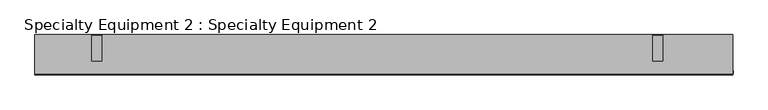
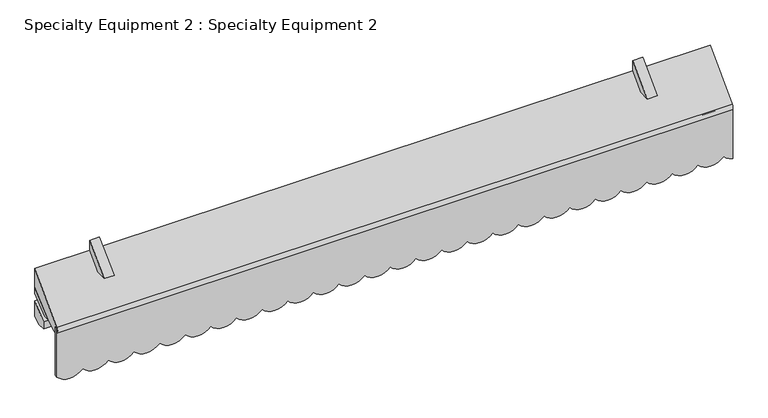
"""IFC4 building model written with IfcOpenShell, lengths in millimetres: proxy geometry, Specialty Equipment 2 : Specialty Equipment 2."""

from ifc_helpers import new_model, si_unit, point, frame, frame_2d, origin, place, context, project, spatial, polyline, circle_curve, trimmed, segment, composite_curve, outline, extrude, source, transform, mapped, element, save


def specialty_equipment_2_specialty_equipment_2_afce42c8(model_context):
    return source(origin(), model_context, "Body", "SweptSolid", [
        extrude(outline(composite_curve([segment(polyline([(111125.8804802, -45640.4652467), (111125.8804802, -48588.7414762), (110900.9523534, -48588.7414762)]), True, "CONTINUOUS"), segment(trimmed(circle_curve(frame_2d((110952.0977359, -48532.7967149)), 75.8001746), [point((110900.9523534, -48588.7414762))], [point((110900.9523534, -48476.8519537))], False, "CARTESIAN"), True, "CONTINUOUS"), segment(trimmed(circle_curve(frame_2d((110952.0977359, -48420.9071925)), 75.8001746), [point((110900.9523534, -48476.8519537))], [point((110900.9523534, -48364.9624313))], False, "CARTESIAN"), True, "CONTINUOUS"), segment(trimmed(circle_curve(frame_2d((110952.0977359, -48309.01767)), 75.8001746), [point((110900.9523534, -48364.9624313))], [point((110900.9523534, -48253.0729088))], False, "CARTESIAN"), True, "CONTINUOUS"), segment(trimmed(circle_curve(frame_2d((110952.0977359, -48197.1281476)), 75.8001746), [point((110900.9523534, -48253.0729088))], [point((110900.9523534, -48141.1833864))], False, "CARTESIAN"), True, "CONTINUOUS"), segment(trimmed(circle_curve(frame_2d((110952.0977359, -48085.2386251)), 75.8001746), [point((110900.9523534, -48141.1833864))], [point((110900.9523534, -48029.2938639))], False, "CARTESIAN"), True, "CONTINUOUS"), segment(trimmed(circle_curve(frame_2d((110952.0977359, -47973.3491027)), 75.8001746), [point((110900.9523534, -48029.2938639))], [point((110900.9523534, -47917.4043415))], False, "CARTESIAN"), True, "CONTINUOUS"), segment(trimmed(circle_curve(frame_2d((110952.0977359, -47861.4595802)), 75.8001746), [point((110900.9523534, -47917.4043415))], [point((110900.9523534, -47805.514819))], False, "CARTESIAN"), True, "CONTINUOUS"), segment(trimmed(circle_curve(frame_2d((110952.0977359, -47749.5700578)), 75.8001746), [point((110900.9523534, -47805.514819))], [point((110900.9523534, -47693.6252965))], False, "CARTESIAN"), True, "CONTINUOUS"), segment(trimmed(circle_curve(frame_2d((110952.0977359, -47637.6805353)), 75.8001746), [point((110900.9523534, -47693.6252965))], [point((110900.9523534, -47581.7357741))], False, "CARTESIAN"), True, "CONTINUOUS"), segment(trimmed(circle_curve(frame_2d((110952.0977359, -47525.7910129)), 75.8001746), [point((110900.9523534, -47581.7357741))], [point((110900.9523534, -47469.8462516))], False, "CARTESIAN"), True, "CONTINUOUS"), segment(trimmed(circle_curve(frame_2d((110952.0977359, -47413.9014904)), 75.8001746), [point((110900.9523534, -47469.8462516))], [point((110900.9523534, -47357.9567292))], False, "CARTESIAN"), True, "CONTINUOUS"), segment(trimmed(circle_curve(frame_2d((110952.0977359, -47302.011968)), 75.8001746), [point((110900.9523534, -47357.9567292))], [point((110900.9523534, -47246.0672067))], False, "CARTESIAN"), True, "CONTINUOUS"), segment(trimmed(circle_curve(frame_2d((110952.0977359, -47190.1224455)), 75.8001746), [point((110900.9523534, -47246.0672067))], [point((110900.9523534, -47134.1776843))], False, "CARTESIAN"), True, "CONTINUOUS"), segment(trimmed(circle_curve(frame_2d((110952.0977359, -47078.2329231)), 75.8001746), [point((110900.9523534, -47134.1776843))], [point((110900.9523534, -47022.2881618))], False, "CARTESIAN"), True, "CONTINUOUS"), segment(trimmed(circle_curve(frame_2d((110952.0977359, -46966.3434006)), 75.8001746), [point((110900.9523534, -47022.2881618))], [point((110900.9523534, -46910.3986394))], False, "CARTESIAN"), True, "CONTINUOUS"), segment(trimmed(circle_curve(frame_2d((110952.0977359, -46854.4538782)), 75.8001746), [point((110900.9523534, -46910.3986394))], [point((110900.9523534, -46798.5091169))], False, "CARTESIAN"), True, "CONTINUOUS"), segment(trimmed(circle_curve(frame_2d((110952.0977359, -46742.5643557)), 75.8001746), [point((110900.9523534, -46798.5091169))], [point((110900.9523534, -46686.6195945))], False, "CARTESIAN"), True, "CONTINUOUS"), segment(trimmed(circle_curve(frame_2d((110952.0977359, -46630.6748333)), 75.8001746), [point((110900.9523534, -46686.6195945))], [point((110900.9523534, -46574.730072))], False, "CARTESIAN"), True, "CONTINUOUS"), segment(trimmed(circle_curve(frame_2d((110952.0977359, -46518.7853108)), 75.8001746), [point((110900.9523534, -46574.730072))], [point((110900.9523534, -46462.8405496))], False, "CARTESIAN"), True, "CONTINUOUS"), segment(trimmed(circle_curve(frame_2d((110952.0977359, -46406.8957884)), 75.8001746), [point((110900.9523534, -46462.8405496))], [point((110900.9523534, -46350.9510271))], False, "CARTESIAN"), True, "CONTINUOUS"), segment(trimmed(circle_curve(frame_2d((110952.0977359, -46295.0062659)), 75.8001746), [point((110900.9523534, -46350.9510271))], [point((110900.9523534, -46239.0615047))], False, "CARTESIAN"), True, "CONTINUOUS"), segment(trimmed(circle_curve(frame_2d((110952.0977359, -46183.1167434)), 75.8001746), [point((110900.9523534, -46239.0615047))], [point((110900.9523534, -46127.1719822))], False, "CARTESIAN"), True, "CONTINUOUS"), segment(trimmed(circle_curve(frame_2d((110952.0977359, -46071.227221)), 75.8001746), [point((110900.9523534, -46127.1719822))], [point((110900.9523534, -46015.2824598))], False, "CARTESIAN"), True, "CONTINUOUS"), segment(trimmed(circle_curve(frame_2d((110952.0977359, -45959.3376985)), 75.8001746), [point((110900.9523534, -46015.2824598))], [point((110900.9523534, -45903.3929373))], False, "CARTESIAN"), True, "CONTINUOUS"), segment(trimmed(circle_curve(frame_2d((110952.0977359, -45847.4481761)), 75.8001746), [point((110900.9523534, -45903.3929373))], [point((110900.9523534, -45791.5034149))], False, "CARTESIAN"), True, "CONTINUOUS"), segment(trimmed(circle_curve(frame_2d((110952.0977359, -45735.5586536)), 75.8001746), [point((110900.9523534, -45791.5034149))], [point((110900.9523534, -45679.6138924))], False, "CARTESIAN"), True, "CONTINUOUS"), segment(trimmed(circle_curve(frame_2d((110952.0977359, -45623.6691312)), 75.8001746), [point((110900.9523534, -45679.6138924))], [point((110878.1818583, -45640.4652467))], False, "CARTESIAN"), True, "CONTINUOUS"), segment(polyline([(110878.1818583, -45640.4652467), (111125.8804802, -45640.4652467)]), True, "CONTINUOUS")], self_intersect=False)), frame((0.0, 45949.3458586, 0.0), z_axis=(0.0, 1.0, 0.0), x_axis=(0.0, 0.0, 1.0)), (0.0, 0.0, 1.0), 12.5266755),
        extrude(outline(polyline([(46005.5191945, 111238.6076737), (46115.6506428, 111348.739122), (46116.0612539, 111301.3112435), (46055.5191945, 111238.6076737), (46005.5191945, 111238.6076737)])), frame((-48349.6907609, 0.0, 0.0), z_axis=(1.0, 0.0, 0.0), x_axis=(0.0, 1.0, 0.0)), (0.0, 0.0, 1.0), 42.4991073),
        extrude(outline(polyline([(46005.5191945, 111238.6076737), (46115.6506428, 111348.739122), (46116.0612539, 111301.3112435), (46055.5191945, 111238.6076737), (46005.5191945, 111238.6076737)])), frame((-45979.6907609, 0.0, 0.0), z_axis=(1.0, 0.0, 0.0), x_axis=(0.0, 1.0, 0.0)), (0.0, 0.0, 1.0), 42.4991073),
        extrude(outline(composite_curve([segment(polyline([(46015.1343094, 111125.8804802), (45974.0771393, 111100.1644837)]), True, "CONTINUOUS"), segment(trimmed(circle_curve(frame_2d((45963.9557186, 111116.3239545)), 19.067555), [point((45974.0771393, 111100.1644837))], [point((45950.2385662, 111129.5682508))], False, "CARTESIAN"), True, "CONTINUOUS"), segment(polyline([(45950.2385662, 111129.5682508), (46116.0612539, 111301.3112435), (46116.0612539, 111214.6527229), (46015.1343094, 111125.8804802)]), True, "CONTINUOUS")], self_intersect=False)), frame((-48588.7414762, 0.0, 0.0), z_axis=(1.0, 0.0, 0.0), x_axis=(0.0, 1.0, 0.0)), (0.0, 0.0, 1.0), 2947.6722266),
        extrude(outline(polyline([(46042.2591614, 111125.058515), (46015.1343094, 111125.8804802), (46116.0612539, 111214.6527229), (46116.0612539, 111185.6099521), (46042.2591614, 111125.058515)])), frame((-48588.7414762, 0.0, 0.0), z_axis=(1.0, 0.0, 0.0), x_axis=(0.0, 1.0, 0.0)), (0.0, 0.0, 1.0), 2947.6722266),
        extrude(outline(polyline([(46116.0612539, 111153.1654979), (46116.0612539, 111083.7959233), (46086.8571727, 111061.5445732), (46050.6989073, 111061.5445732), (46050.6989073, 111093.6350338), (46116.0612539, 111153.1654979)])), frame((-48588.7414762, 0.0, 0.0), z_axis=(1.0, 0.0, 0.0), x_axis=(0.0, 1.0, 0.0)), (0.0, 0.0, 1.0), 2947.6722266),
    ])


if __name__ == "__main__":
    model = new_model("IFC4")
    model_context = context("Model", 3, world=origin())
    ifc_project = project(units=[si_unit("LENGTHUNIT", "METRE", prefix="MILLI")], contexts=[model_context])
    site = spatial("IfcSite", under=ifc_project)
    building = spatial("IfcBuilding", under=site)
    placement = place(None, origin())
    specialty_equipment_2_specialty_equipment_2_shape = specialty_equipment_2_specialty_equipment_2_afce42c8(model_context)
    element("IfcBuildingElementProxy", 1, Name="Specialty Equipment 2 : Specialty Equipment 2", ObjectType="Specialty Equipment 2 : Specialty Equipment 2", at=placement, inside=building, context=model_context, shape_type="MappedRepresentation", body=[
        mapped(specialty_equipment_2_specialty_equipment_2_shape, transform((0.0, 0.0, 0.0), x_axis=(1.0, 0.0, 0.0), y_axis=(0.0, 1.0, 0.0), z_axis=(0.0, 0.0, 1.0))),
    ])
    save(model, "model.ifc")
